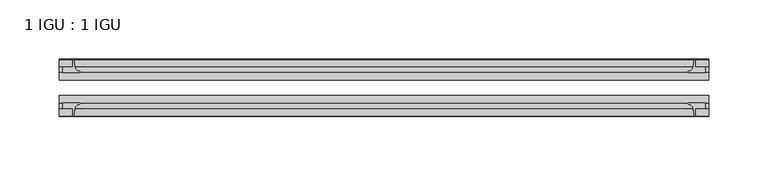
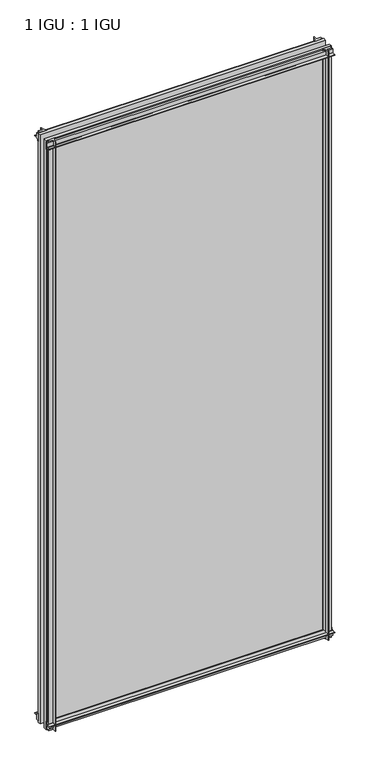
"""IFC4 building model written with IfcOpenShell, lengths in millimetres: plate geometry, 1 IGU : 1 IGU."""

from ifc_helpers import new_model, si_unit, point, frame, frame_2d, origin, place, context, project, spatial, polyline, circle_curve, trimmed, segment, composite_curve, outline, extrude, source, transform, mapped, element, save


def plate_1_igu_1_igu_d3786b27(model_context):
    return source(origin(), model_context, "Body", "SweptSolid", [
        extrude(outline(composite_curve([segment(polyline([(-42.3267187, -8.2068385), (-47.0892187, -8.2068385), (-47.0892187, 0.0), (-53.563779, 0.0)]), True, "CONTINUOUS"), segment(trimmed(circle_curve(frame_2d((-53.0328134, 0.3482823)), 0.635), [point((-53.563779, 0.0))], [point((-53.0575397, 0.9828007))], False, "CARTESIAN"), True, "CONTINUOUS"), segment(trimmed(circle_curve(frame_2d((-54.2310045, 31.0958559)), 30.1359106), [point((-53.0575397, 0.9828007))], [point((-47.0834032, 1.8198434))], True, "CARTESIAN"), True, "CONTINUOUS"), segment(trimmed(circle_curve(frame_2d((-48.2159797, 6.4587878)), 4.7752), [point((-47.0834032, 1.8198434))], [point((-43.578416, 5.3205707))], True, "CARTESIAN"), True, "CONTINUOUS"), segment(trimmed(circle_curve(frame_2d((-42.9617187, 5.169212)), 0.635), [point((-43.578416, 5.3205707))], [point((-42.3267187, 5.169212))], False, "CARTESIAN"), True, "CONTINUOUS"), segment(polyline([(-42.3267187, 5.169212), (-42.3267187, -8.2068385)]), True, "CONTINUOUS")], self_intersect=False)), frame((-273.05, 0.0, 0.0), z_axis=(1.0, 0.0, 0.0), x_axis=(0.0, 1.0, 0.0)), (0.0, 0.0, 1.0), 546.1),
        extrude(outline(composite_curve([segment(polyline([(-16.9267187, -8.2068385), (-16.9267187, 5.169212)]), True, "CONTINUOUS"), segment(trimmed(circle_curve(frame_2d((-16.2917187, 5.169212)), 0.635), [point((-16.9267187, 5.169212))], [point((-15.6750215, 5.3205707))], False, "CARTESIAN"), True, "CONTINUOUS"), segment(trimmed(circle_curve(frame_2d((-11.0374578, 6.4587878)), 4.7752), [point((-15.6750215, 5.3205707))], [point((-12.1700343, 1.8198434))], True, "CARTESIAN"), True, "CONTINUOUS"), segment(trimmed(circle_curve(frame_2d((-5.022433, 31.0958559)), 30.1359106), [point((-12.1700343, 1.8198434))], [point((-6.1958978, 0.9828007))], True, "CARTESIAN"), True, "CONTINUOUS"), segment(trimmed(circle_curve(frame_2d((-6.2206241, 0.3482823)), 0.635), [point((-6.1958978, 0.9828007))], [point((-5.6896585, 0.0))], False, "CARTESIAN"), True, "CONTINUOUS"), segment(polyline([(-5.6896585, 0.0), (-12.1642187, 0.0), (-12.1642187, -8.2068385), (-16.9267187, -8.2068385)]), True, "CONTINUOUS")], self_intersect=False)), frame((-273.05, 0.0, 0.0), z_axis=(1.0, 0.0, 0.0), x_axis=(0.0, 1.0, 0.0)), (0.0, 0.0, 1.0), 546.1),
        extrude(outline(composite_curve([segment(polyline([(-47.0892188, 1168.4), (-47.0892188, 1176.6068385), (-42.3267188, 1176.6068385), (-42.3267188, 1163.230788)]), True, "CONTINUOUS"), segment(trimmed(circle_curve(frame_2d((-42.9617187, 1163.230788)), 0.635), [point((-42.3267188, 1163.230788))], [point((-43.578416, 1163.0794293))], False, "CARTESIAN"), True, "CONTINUOUS"), segment(trimmed(circle_curve(frame_2d((-48.2159797, 1161.9412122)), 4.7752), [point((-43.578416, 1163.0794293))], [point((-47.0834032, 1166.5801566))], True, "CARTESIAN"), True, "CONTINUOUS"), segment(trimmed(circle_curve(frame_2d((-54.2310045, 1137.3041441)), 30.1359106), [point((-47.0834032, 1166.5801566))], [point((-53.0575397, 1167.4171993))], True, "CARTESIAN"), True, "CONTINUOUS"), segment(trimmed(circle_curve(frame_2d((-53.0328134, 1168.0517177)), 0.635), [point((-53.0575397, 1167.4171993))], [point((-53.563779, 1168.4))], False, "CARTESIAN"), True, "CONTINUOUS"), segment(polyline([(-53.563779, 1168.4), (-47.0892188, 1168.4)]), True, "CONTINUOUS")], self_intersect=False)), frame((-273.05, 0.0, 0.0), z_axis=(1.0, 0.0, 0.0), x_axis=(0.0, 1.0, 0.0)), (0.0, 0.0, 1.0), 546.1),
        extrude(outline(composite_curve([segment(polyline([(-12.1642187, 1168.4), (-5.6896585, 1168.4)]), True, "CONTINUOUS"), segment(trimmed(circle_curve(frame_2d((-6.2206241, 1168.0517177)), 0.635), [point((-5.6896585, 1168.4))], [point((-6.1958978, 1167.4171993))], False, "CARTESIAN"), True, "CONTINUOUS"), segment(trimmed(circle_curve(frame_2d((-5.022433, 1137.3041441)), 30.1359106), [point((-6.1958978, 1167.4171993))], [point((-12.1700343, 1166.5801566))], True, "CARTESIAN"), True, "CONTINUOUS"), segment(trimmed(circle_curve(frame_2d((-11.0374578, 1161.9412122)), 4.7752), [point((-12.1700343, 1166.5801566))], [point((-15.6750215, 1163.0794293))], True, "CARTESIAN"), True, "CONTINUOUS"), segment(trimmed(circle_curve(frame_2d((-16.2917188, 1163.230788)), 0.635), [point((-15.6750215, 1163.0794293))], [point((-16.9267188, 1163.230788))], False, "CARTESIAN"), True, "CONTINUOUS"), segment(polyline([(-16.9267188, 1163.230788), (-16.9267187, 1176.6068385), (-12.1642187, 1176.6068385), (-12.1642187, 1168.4)]), True, "CONTINUOUS")], self_intersect=False)), frame((-273.05, 0.0, 0.0), z_axis=(1.0, 0.0, 0.0), x_axis=(0.0, 1.0, 0.0)), (0.0, 0.0, 1.0), 546.1),
        extrude(outline(composite_curve([segment(polyline([(261.9375, -5.6896585), (261.9375, -12.1642188), (270.1443385, -12.1642188), (270.1443385, -16.9267187), (256.768288, -16.9267187)]), True, "CONTINUOUS"), segment(trimmed(circle_curve(frame_2d((256.768288, -16.2917188)), 0.635), [point((256.768288, -16.9267187))], [point((256.6169293, -15.6750215))], False, "CARTESIAN"), True, "CONTINUOUS"), segment(trimmed(circle_curve(frame_2d((255.4787122, -11.0374578)), 4.7752), [point((256.6169293, -15.6750215))], [point((260.1176566, -12.1700343))], True, "CARTESIAN"), True, "CONTINUOUS"), segment(trimmed(circle_curve(frame_2d((230.8416441, -5.022433)), 30.1359106), [point((260.1176566, -12.1700343))], [point((260.9546993, -6.1958978))], True, "CARTESIAN"), True, "CONTINUOUS"), segment(trimmed(circle_curve(frame_2d((261.5892177, -6.2206241)), 0.635), [point((260.9546993, -6.1958978))], [point((261.9375, -5.6896585))], False, "CARTESIAN"), True, "CONTINUOUS")], self_intersect=False)), frame((0.0, 0.0, -11.1125), z_axis=(0.0, 0.0, 1.0), x_axis=(1.0, 0.0, 0.0)), (0.0, 0.0, 1.0), 1190.625),
        extrude(outline(composite_curve([segment(trimmed(circle_curve(frame_2d((261.5892177, -53.0328134)), 0.635), [point((261.9375, -53.563779))], [point((260.9546993, -53.0575397))], False, "CARTESIAN"), True, "CONTINUOUS"), segment(trimmed(circle_curve(frame_2d((230.8416441, -54.2310045)), 30.1359106), [point((260.9546993, -53.0575397))], [point((260.1176566, -47.0834032))], True, "CARTESIAN"), True, "CONTINUOUS"), segment(trimmed(circle_curve(frame_2d((255.4787122, -48.2159797)), 4.7752), [point((260.1176566, -47.0834032))], [point((256.6169293, -43.578416))], True, "CARTESIAN"), True, "CONTINUOUS"), segment(trimmed(circle_curve(frame_2d((256.768288, -42.9617187)), 0.635), [point((256.6169293, -43.578416))], [point((256.768288, -42.3267187))], False, "CARTESIAN"), True, "CONTINUOUS"), segment(polyline([(256.768288, -42.3267187), (270.1443385, -42.3267187), (270.1443385, -47.0892188), (261.9375, -47.0892188), (261.9375, -53.563779)]), True, "CONTINUOUS")], self_intersect=False)), frame((0.0, 0.0, -11.1125), z_axis=(0.0, 0.0, 1.0), x_axis=(1.0, 0.0, 0.0)), (0.0, 0.0, 1.0), 1190.625),
        extrude(outline(composite_curve([segment(trimmed(circle_curve(frame_2d((-261.5892177, -6.2206241)), 0.635), [point((-261.9375, -5.6896585))], [point((-260.9546993, -6.1958978))], False, "CARTESIAN"), True, "CONTINUOUS"), segment(trimmed(circle_curve(frame_2d((-230.8416441, -5.022433)), 30.1359106), [point((-260.9546993, -6.1958978))], [point((-260.1176566, -12.1700343))], True, "CARTESIAN"), True, "CONTINUOUS"), segment(trimmed(circle_curve(frame_2d((-255.4787122, -11.0374578)), 4.7752), [point((-260.1176566, -12.1700343))], [point((-256.6169293, -15.6750215))], True, "CARTESIAN"), True, "CONTINUOUS"), segment(trimmed(circle_curve(frame_2d((-256.768288, -16.2917187)), 0.635), [point((-256.6169293, -15.6750215))], [point((-256.768288, -16.9267187))], False, "CARTESIAN"), True, "CONTINUOUS"), segment(polyline([(-256.768288, -16.9267187), (-270.1443385, -16.9267187), (-270.1443385, -12.1642187), (-261.9375, -12.1642187), (-261.9375, -5.6896585)]), True, "CONTINUOUS")], self_intersect=False)), frame((0.0, 0.0, -11.1125), z_axis=(0.0, 0.0, 1.0), x_axis=(1.0, 0.0, 0.0)), (0.0, 0.0, 1.0), 1190.625),
        extrude(outline(composite_curve([segment(polyline([(-261.9375, -53.563779), (-261.9375, -47.0892187), (-270.1443385, -47.0892187), (-270.1443385, -42.3267188), (-256.768288, -42.3267188)]), True, "CONTINUOUS"), segment(trimmed(circle_curve(frame_2d((-256.768288, -42.9617187)), 0.635), [point((-256.768288, -42.3267188))], [point((-256.6169293, -43.578416))], False, "CARTESIAN"), True, "CONTINUOUS"), segment(trimmed(circle_curve(frame_2d((-255.4787122, -48.2159797)), 4.7752), [point((-256.6169293, -43.578416))], [point((-260.1176566, -47.0834032))], True, "CARTESIAN"), True, "CONTINUOUS"), segment(trimmed(circle_curve(frame_2d((-230.8416441, -54.2310045)), 30.1359106), [point((-260.1176566, -47.0834032))], [point((-260.9546993, -53.0575397))], True, "CARTESIAN"), True, "CONTINUOUS"), segment(trimmed(circle_curve(frame_2d((-261.5892177, -53.0328134)), 0.635), [point((-260.9546993, -53.0575397))], [point((-261.9375, -53.563779))], False, "CARTESIAN"), True, "CONTINUOUS")], self_intersect=False)), frame((0.0, 0.0, -11.1125), z_axis=(0.0, 0.0, 1.0), x_axis=(1.0, 0.0, 0.0)), (0.0, 0.0, 1.0), 1190.625),
        extrude(outline(polyline([(273.05, -16.9267187), (273.05, -23.2259187), (-273.05, -23.2259187), (-273.05, -16.9267187), (273.05, -16.9267187)])), frame((0.0, 0.0, -11.1125), z_axis=(0.0, 0.0, 1.0), x_axis=(1.0, 0.0, 0.0)), (0.0, 0.0, 1.0), 1190.625),
        extrude(outline(polyline([(273.05, -36.0275187), (273.05, -42.3267187), (-273.05, -42.3267187), (-273.05, -36.0275187), (273.05, -36.0275187)])), frame((0.0, 0.0, -11.1125), z_axis=(0.0, 0.0, 1.0), x_axis=(1.0, 0.0, 0.0)), (0.0, 0.0, 1.0), 1190.625),
    ])


if __name__ == "__main__":
    model = new_model("IFC4")
    model_context = context("Model", 3, world=origin())
    ifc_project = project(units=[si_unit("LENGTHUNIT", "METRE", prefix="MILLI")], contexts=[model_context])
    site = spatial("IfcSite", under=ifc_project)
    building = spatial("IfcBuilding", under=site)
    placement = place(None, origin())
    plate_1_igu_1_igu_shape = plate_1_igu_1_igu_d3786b27(model_context)
    element("IfcPlate", 1, ObjectType="1 IGU : 1 IGU", at=placement, inside=building, context=model_context, shape_type="MappedRepresentation", body=[
        mapped(plate_1_igu_1_igu_shape, transform((0.0, 0.0, 0.0), x_axis=(1.0, 0.0, 0.0), y_axis=(0.0, 1.0, 0.0), z_axis=(0.0, 0.0, 1.0))),
    ])
    save(model, "model.ifc")
